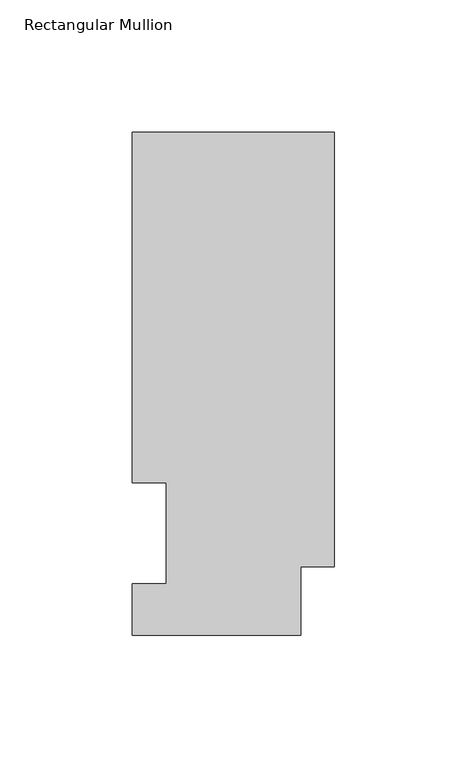
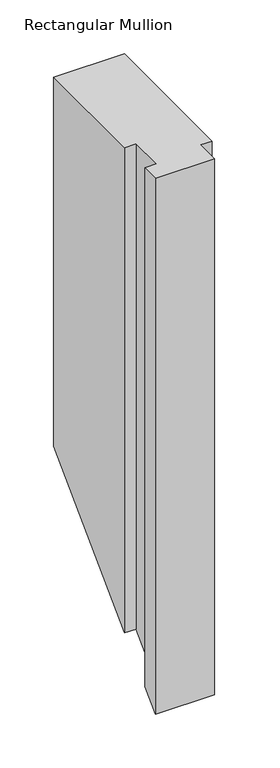
"""IFC4 building model written with IfcOpenShell, lengths in millimetres: member geometry, Rectangular Mullion."""

from ifc_helpers import new_model, si_unit, origin, place, context, project, spatial, faceted_brep, source, transform, mapped, element, save


def rectangular_mullion_255d87e7(model_context):
    return source(origin(), model_context, "Body", "Brep", [
        faceted_brep([(-76.2, 189.8022937, 0.0), (-76.2, 57.6460937, 0.0), (-63.5, 57.6460937, 0.0), (-63.5, 19.5460938, 0.0), (-76.2, 19.5460938, 0.0), (-76.2, 0.0134938, 0.0), (-12.7, 0.0134938, 0.0), (-12.7, 25.8955957, 0.0), (0.0, 25.8955957, 0.0), (0.0, 189.8022938, 0.0), (-76.2, 189.8022937, -419.7977062), (-76.2, 57.6460937, -551.9539062), (-63.5, 57.6460937, -551.9539062), (-63.5, 19.5460938, -590.0539062), (-76.2, 19.5460938, -590.0539062), (-76.2, 0.0134938, -609.5865062), (-12.7, 0.0134938, -609.5865062), (-12.7, 25.8955957, -583.7044043), (0.0, 25.8955957, -583.7044043), (0.0, 189.8022938, -419.7977062)], [[[0, 1, 2, 3, 4, 5, 6, 7, 8, 9]], [[1, 0, 10, 11]], [[2, 1, 11, 12]], [[3, 2, 12, 13]], [[4, 3, 13, 14]], [[5, 4, 14, 15]], [[6, 5, 15, 16]], [[7, 6, 16, 17]], [[8, 7, 17, 18]], [[9, 8, 18, 19]], [[0, 9, 19, 10]], [[10, 19, 18, 17, 16, 15, 14, 13, 12, 11]]]),
    ])


if __name__ == "__main__":
    model = new_model("IFC4")
    model_context = context("Model", 3, world=origin())
    ifc_project = project(units=[si_unit("LENGTHUNIT", "METRE", prefix="MILLI")], contexts=[model_context])
    site = spatial("IfcSite", under=ifc_project)
    building = spatial("IfcBuilding", under=site)
    placement = place(None, origin())
    rectangular_mullion_shape = rectangular_mullion_255d87e7(model_context)
    element("IfcMember", 1, ObjectType="Rectangular Mullion", at=placement, inside=building, context=model_context, shape_type="MappedRepresentation", body=[
        mapped(rectangular_mullion_shape, transform((0.0, 0.0, 0.0), x_axis=(1.0, 0.0, 0.0), y_axis=(0.0, 1.0, 0.0), z_axis=(0.0, 0.0, 1.0))),
    ])
    save(model, "model.ifc")
